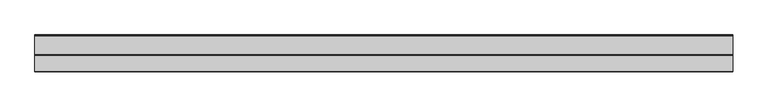
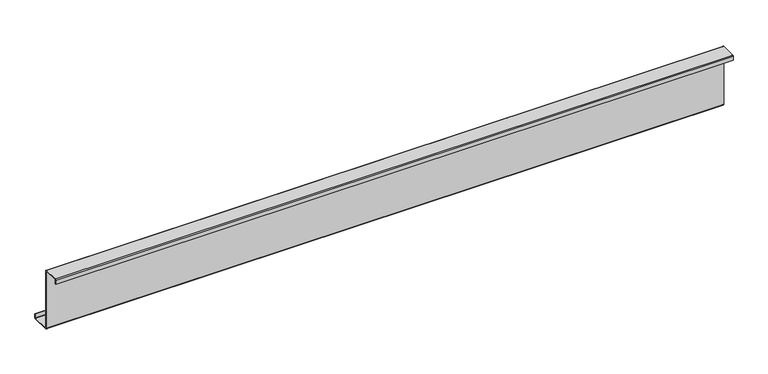
"""IFC4 building model written with IfcOpenShell, lengths in millimetres: member geometry."""

from ifc_helpers import new_model, si_unit, point, frame, frame_2d, origin, place, context, project, spatial, polyline, circle_curve, trimmed, segment, composite_curve, outline, extrude, source, transform, mapped, element, save


def member_621f8934(model_context):
    return source(origin(), model_context, "Body", "SweptSolid", [
        extrude(outline(composite_curve([segment(polyline([(0.0, -123.5), (0.0, 123.5)]), True, "CONTINUOUS"), segment(trimmed(circle_curve(frame_2d((-2.0, 123.5)), 2.0), [point((0.0, 123.5))], [point((-2.0, 125.5))], True, "CARTESIAN"), True, "CONTINUOUS"), segment(polyline([(-2.0, 125.5), (-63.5, 125.5)]), True, "CONTINUOUS"), segment(trimmed(circle_curve(frame_2d((-63.5, 123.5)), 2.0), [point((-63.5, 125.5))], [point((-65.5, 123.5))], True, "CARTESIAN"), True, "CONTINUOUS"), segment(polyline([(-65.5, 123.5), (-65.5, 107.0), (-67.0, 107.0), (-67.0, 123.5)]), True, "CONTINUOUS"), segment(trimmed(circle_curve(frame_2d((-63.5, 123.5)), 3.5), [point((-67.0, 123.5))], [point((-63.5, 127.0))], False, "CARTESIAN"), True, "CONTINUOUS"), segment(polyline([(-63.5, 127.0), (-2.0, 127.0)]), True, "CONTINUOUS"), segment(trimmed(circle_curve(frame_2d((-2.0, 123.5)), 3.5), [point((-2.0, 127.0))], [point((1.5, 123.5))], False, "CARTESIAN"), True, "CONTINUOUS"), segment(polyline([(1.5, 123.5), (1.5, -123.5)]), True, "CONTINUOUS"), segment(trimmed(circle_curve(frame_2d((3.5, -123.5)), 2.0), [point((1.5, -123.5))], [point((3.5, -125.5))], True, "CARTESIAN"), True, "CONTINUOUS"), segment(polyline([(3.5, -125.5), (75.0, -125.5)]), True, "CONTINUOUS"), segment(trimmed(circle_curve(frame_2d((75.0, -123.5)), 2.0), [point((75.0, -125.5))], [point((77.0, -123.5))], True, "CARTESIAN"), True, "CONTINUOUS"), segment(polyline([(77.0, -123.5), (77.0, -107.5), (78.5, -107.5), (78.5, -123.5)]), True, "CONTINUOUS"), segment(trimmed(circle_curve(frame_2d((75.0, -123.5)), 3.5), [point((78.5, -123.5))], [point((75.0, -127.0))], False, "CARTESIAN"), True, "CONTINUOUS"), segment(polyline([(75.0, -127.0), (3.5, -127.0)]), True, "CONTINUOUS"), segment(trimmed(circle_curve(frame_2d((3.5, -123.5)), 3.5), [point((3.5, -127.0))], [point((0.0, -123.5))], False, "CARTESIAN"), True, "CONTINUOUS")], self_intersect=False)), frame((-1370.0, 0.0, 0.0), z_axis=(1.0, 0.0, 0.0), x_axis=(0.0, 1.0, 0.0)), (0.0, 0.0, 1.0), 2740.0),
    ])


if __name__ == "__main__":
    model = new_model("IFC4")
    model_context = context("Model", 3, world=origin())
    ifc_project = project(units=[si_unit("LENGTHUNIT", "METRE", prefix="MILLI")], contexts=[model_context])
    site = spatial("IfcSite", under=ifc_project)
    building = spatial("IfcBuilding", under=site)
    placement = place(None, origin())
    member_shape = member_621f8934(model_context)
    element("IfcMember", 1, at=placement, inside=building, context=model_context, shape_type="MappedRepresentation", body=[
        mapped(member_shape, transform((0.0, 0.0, 0.0), x_axis=(1.0, 0.0, 0.0), y_axis=(0.0, 1.0, 0.0), z_axis=(0.0, 0.0, 1.0))),
    ])
    save(model, "model.ifc")
